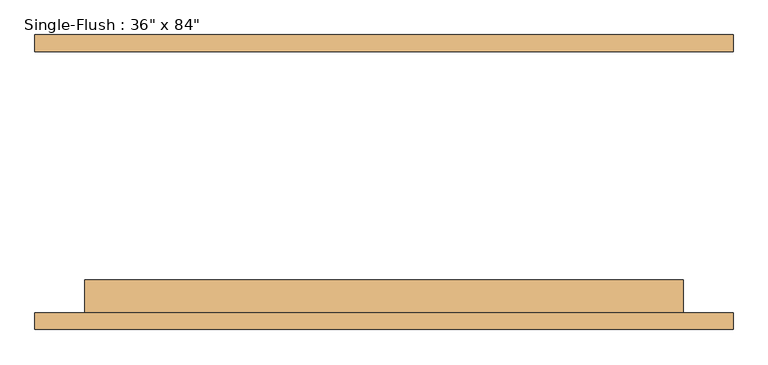
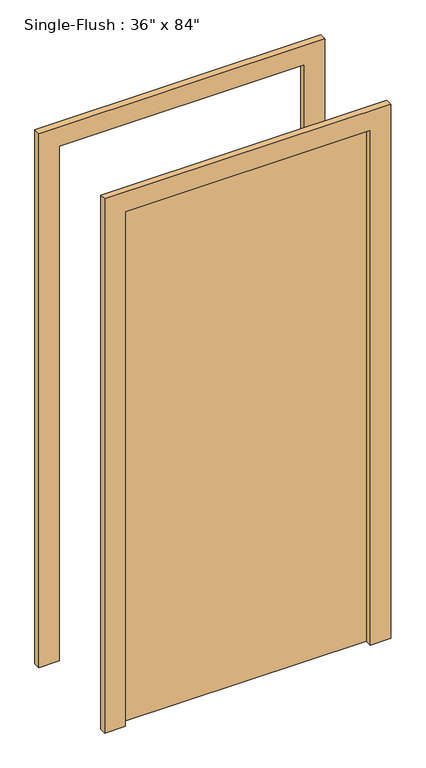
"""IFC4 building model written with IfcOpenShell, lengths in millimetres: door geometry."""

from ifc_helpers import new_model, si_unit, frame, origin, origin_with_axes, place, context, project, spatial, polyline, outline, extrude, source, transform, mapped, element, save


def door_48a25cca(model_context):
    return source(origin(), model_context, "Body", "SweptSolid", [
        extrude(outline(polyline([(2106.2, -533.4), (0.0, -533.4), (0.0, -457.2), (2030.0, -457.2), (2030.0, 457.2), (0.0, 457.2), (0.0, 533.4), (2106.2, 533.4), (2106.2, -533.4)])), frame((0.0, -225.4, 0.0), z_axis=(0.0, 1.0, 0.0), x_axis=(0.0, 0.0, 1.0)), (0.0, 0.0, 1.0), 25.4),
        extrude(outline(polyline([(2106.2, 533.4), (2106.2, -533.4), (0.0, -533.4), (0.0, -457.2), (2030.0, -457.2), (2030.0, 457.2), (0.0, 457.2), (0.0, 533.4), (2106.2, 533.4)])), frame((0.0, 200.0, 0.0), z_axis=(0.0, 1.0, 0.0), x_axis=(0.0, 0.0, 1.0)), (0.0, 0.0, 1.0), 25.4),
        extrude(outline(polyline([(457.2, -149.2), (457.2, -200.0), (-457.2, -200.0), (-457.2, -149.2), (457.2, -149.2)])), origin_with_axes(), (0.0, 0.0, 1.0), 2030.0),
    ])


if __name__ == "__main__":
    model = new_model("IFC4")
    model_context = context("Model", 3, world=origin())
    ifc_project = project(units=[si_unit("LENGTHUNIT", "METRE", prefix="MILLI")], contexts=[model_context])
    site = spatial("IfcSite", under=ifc_project)
    building = spatial("IfcBuilding", under=site)
    placement = place(None, origin())
    door_shape = door_48a25cca(model_context)
    element("IfcDoor", 1, ObjectType="Single-Flush : 36\" x 84\"", at=placement, inside=building, context=model_context, shape_type="MappedRepresentation", body=[
        mapped(door_shape, transform((0.0, 0.0, 0.0), x_axis=(1.0, 0.0, 0.0), y_axis=(0.0, 1.0, 0.0), z_axis=(0.0, 0.0, 1.0))),
    ])
    save(model, "model.ifc")
